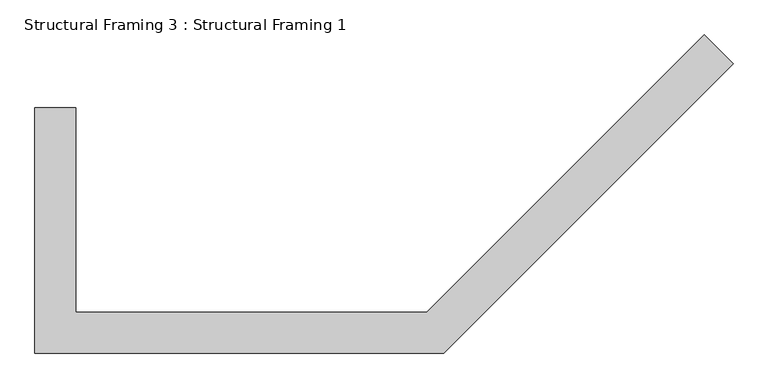
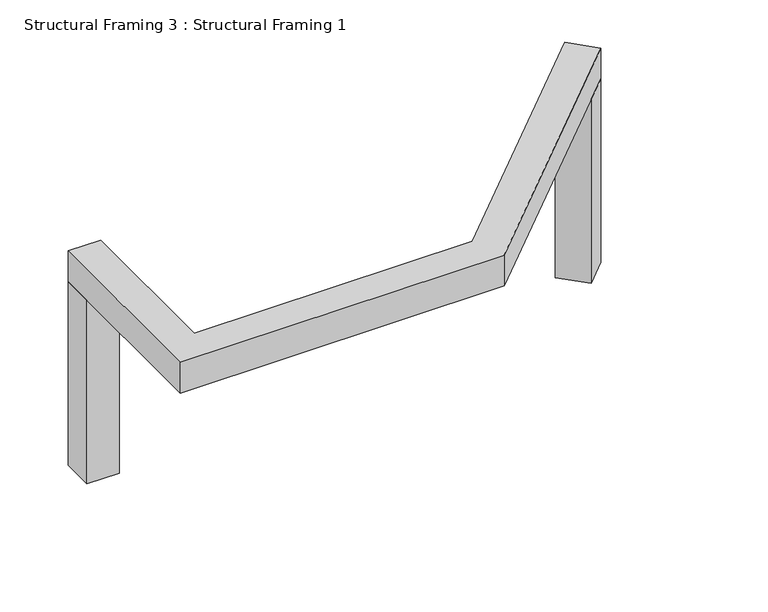
"""IFC4 building model written with IfcOpenShell, lengths in millimetres: beam geometry, Structural Framing 3 : Structural Framing 1."""

from ifc_helpers import new_model, si_unit, frame, origin, origin_with_axes, place, context, project, spatial, polyline, outline, extrude, source, transform, mapped, element, save


def structural_framing_3_structural_framing_1_de857340(model_context):
    return source(origin(), model_context, "Body", "SweptSolid", [
        extrude(outline(polyline([(20042.5257054, 1282.0636061), (19688.9723148, 928.5102155), (19335.4189243, 1282.0636061), (19688.9723148, 1635.6169967), (20042.5257054, 1282.0636061)])), origin_with_axes(), (0.0, 0.0, 1.0), 3000.0),
        extrude(outline(polyline([(12006.9917995, 746.5297002), (12006.9917995, 246.5297002), (11506.9917995, 246.5297002), (11506.9917995, 746.5297002), (12006.9917995, 746.5297002)])), origin_with_axes(), (0.0, 0.0, 1.0), 3000.0),
        extrude(outline(polyline([(12006.9917995, 746.5297002), (12006.9917995, -1753.4702998), (16299.8850183, -1753.4702998), (19688.9723148, 1635.6169967), (20042.5257054, 1282.0636061), (16506.9917995, -2253.4702998), (11506.9917995, -2253.4702998), (11506.9917995, 746.5297002), (12006.9917995, 746.5297002)])), frame((0.0, 0.0, 3000.0), z_axis=(0.0, 0.0, 1.0), x_axis=(1.0, 0.0, 0.0)), (0.0, 0.0, 1.0), 500.0),
    ])


if __name__ == "__main__":
    model = new_model("IFC4")
    model_context = context("Model", 3, world=origin())
    ifc_project = project(units=[si_unit("LENGTHUNIT", "METRE", prefix="MILLI")], contexts=[model_context])
    site = spatial("IfcSite", under=ifc_project)
    building = spatial("IfcBuilding", under=site)
    placement = place(None, origin())
    structural_framing_3_structural_framing_1_shape = structural_framing_3_structural_framing_1_de857340(model_context)
    element("IfcBeam", 1, ObjectType="Structural Framing 3 : Structural Framing 1", at=placement, inside=building, context=model_context, shape_type="MappedRepresentation", body=[
        mapped(structural_framing_3_structural_framing_1_shape, transform((0.0, 0.0, 0.0), x_axis=(1.0, 0.0, 0.0), y_axis=(0.0, 1.0, 0.0), z_axis=(0.0, 0.0, 1.0))),
    ])
    save(model, "model.ifc")
